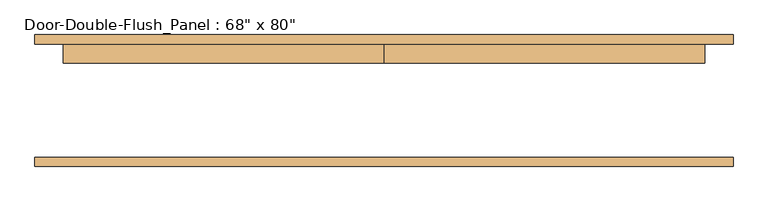
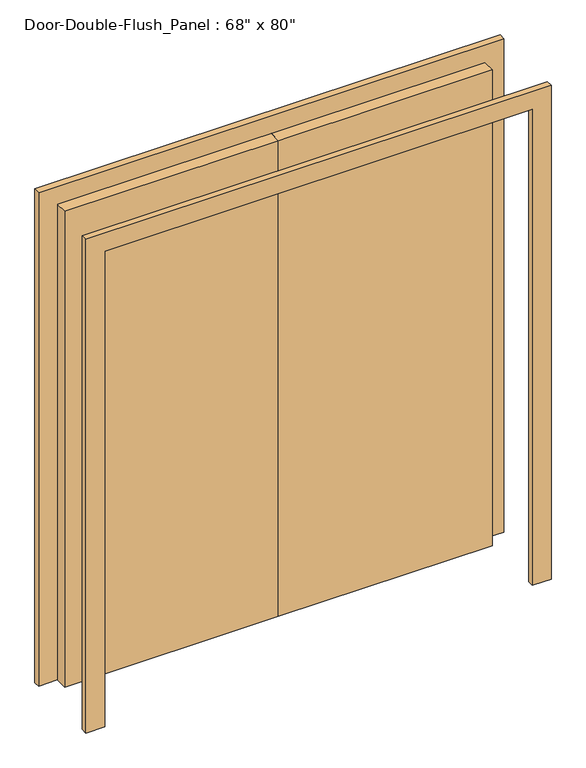
"""IFC4 building model written with IfcOpenShell, lengths in millimetres: door geometry."""

from ifc_helpers import new_model, si_unit, frame, origin, origin_with_axes, place, context, project, spatial, polyline, outline, extrude, source, transform, mapped, element, save


def door_480d36bb(model_context):
    return source(origin(), model_context, "Body", "SweptSolid", [
        extrude(outline(polyline([(2032.0, -863.6), (2032.0, 863.6), (0.0, 863.6), (0.0, 939.8), (2108.2, 939.8), (2108.2, -939.8), (0.0, -939.8), (0.0, -863.6), (2032.0, -863.6)])), frame((0.0, -177.8, 0.0), z_axis=(0.0, 1.0, 0.0), x_axis=(0.0, 0.0, 1.0)), (0.0, 0.0, 1.0), 25.4),
        extrude(outline(polyline([(2032.0, -863.6), (2032.0, 863.6), (0.0, 863.6), (0.0, 939.8), (2108.2, 939.8), (2108.2, -939.8), (0.0, -939.8), (0.0, -863.6), (2032.0, -863.6)])), frame((0.0, 152.4, 0.0), z_axis=(0.0, 1.0, 0.0), x_axis=(0.0, 0.0, 1.0)), (0.0, 0.0, 1.0), 25.4),
        extrude(outline(polyline([(0.0, 152.4), (863.6, 152.4), (863.6, 101.6), (0.0, 101.6), (0.0, 152.4)])), origin_with_axes(), (0.0, 0.0, 1.0), 2032.0),
        extrude(outline(polyline([(-863.6, 152.4), (0.0, 152.4), (0.0, 101.6), (-863.6, 101.6), (-863.6, 152.4)])), origin_with_axes(), (0.0, 0.0, 1.0), 2032.0),
    ])


if __name__ == "__main__":
    model = new_model("IFC4")
    model_context = context("Model", 3, world=origin())
    ifc_project = project(units=[si_unit("LENGTHUNIT", "METRE", prefix="MILLI")], contexts=[model_context])
    site = spatial("IfcSite", under=ifc_project)
    building = spatial("IfcBuilding", under=site)
    placement = place(None, origin())
    door_shape = door_480d36bb(model_context)
    element("IfcDoor", 1, ObjectType="Door-Double-Flush_Panel : 68\" x 80\"", at=placement, inside=building, context=model_context, shape_type="MappedRepresentation", body=[
        mapped(door_shape, transform((0.0, 0.0, 0.0), x_axis=(1.0, 0.0, 0.0), y_axis=(0.0, 1.0, 0.0), z_axis=(0.0, 0.0, 1.0))),
    ])
    save(model, "model.ifc")
